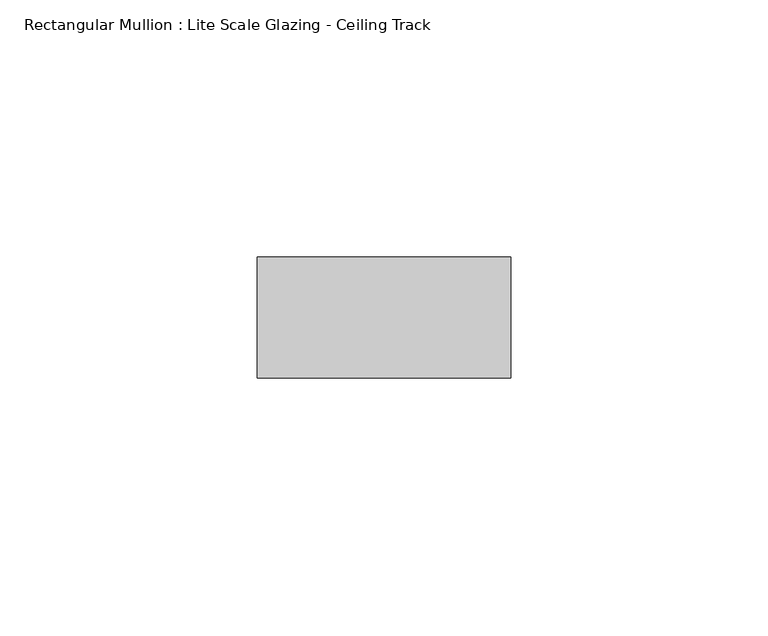
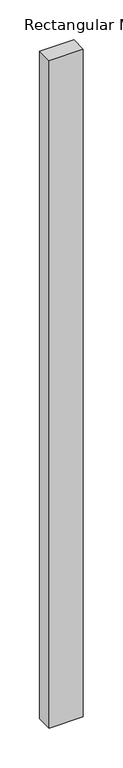
"""IFC4 building model written with IfcOpenShell, lengths in millimetres: member geometry, Rectangular Mullion : Lite Scale Glazing - Ceiling Track."""

from ifc_helpers import new_model, si_unit, frame, origin, place, context, project, spatial, polyline, outline, extrude, source, transform, mapped, element, save


def rectangular_mullion_lite_scale_glazing_ceiling_track_bdda250a(model_context):
    return source(origin(), model_context, "Body", "SweptSolid", [
        extrude(outline(polyline([(-49.276, -11.7474999), (-49.276, 11.7474999), (0.0, 11.7474999), (0.0, -11.7474999), (-49.276, -11.7474999)])), frame((0.0, 0.0, -1019.00336), z_axis=(0.0, 0.0, 1.0), x_axis=(1.0, 0.0, 0.0)), (0.0, 0.0, 1.0), 1019.00336),
    ])


if __name__ == "__main__":
    model = new_model("IFC4")
    model_context = context("Model", 3, world=origin())
    ifc_project = project(units=[si_unit("LENGTHUNIT", "METRE", prefix="MILLI")], contexts=[model_context])
    site = spatial("IfcSite", under=ifc_project)
    building = spatial("IfcBuilding", under=site)
    placement = place(None, origin())
    rectangular_mullion_lite_scale_glazing_ceiling_track_shape = rectangular_mullion_lite_scale_glazing_ceiling_track_bdda250a(model_context)
    element("IfcMember", 1, ObjectType="Rectangular Mullion : Lite Scale Glazing - Ceiling Track", at=placement, inside=building, context=model_context, shape_type="MappedRepresentation", body=[
        mapped(rectangular_mullion_lite_scale_glazing_ceiling_track_shape, transform((0.0, 0.0, 0.0), x_axis=(1.0, 0.0, 0.0), y_axis=(0.0, 1.0, 0.0), z_axis=(0.0, 0.0, 1.0))),
    ])
    save(model, "model.ifc")
